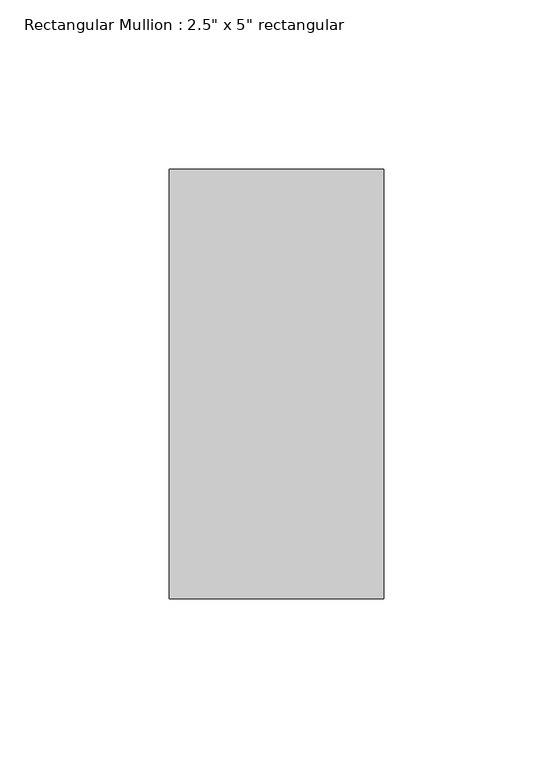
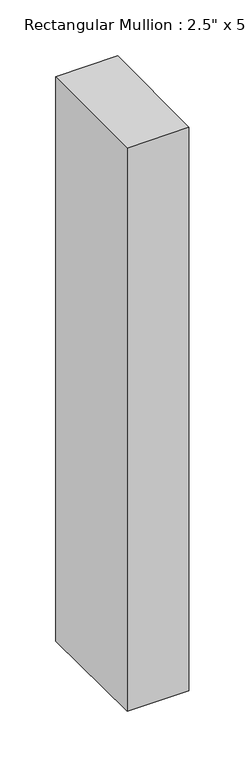
"""IFC4 building model written with IfcOpenShell, lengths in millimetres: member geometry."""

from ifc_helpers import new_model, si_unit, origin, place, context, project, spatial, faceted_brep, source, transform, mapped, element, save


def member_afc8455d(model_context):
    return source(origin(), model_context, "Body", "Brep", [
        faceted_brep([(-63.5, 63.5, -0.1109889), (0.0, 63.5, 0.3868951), (0.0, 63.5, -615.5926457), (-63.5, 63.5, -615.2681772), (-63.5, -63.5, -0.8847791), (-63.5, -63.5, -614.4970786), (0.0, -63.5, -0.3868951), (0.0, -63.5, -614.821547)], [[[0, 1, 2, 3]], [[4, 0, 3, 5]], [[6, 4, 5, 7]], [[1, 6, 7, 2]], [[1, 0, 4, 6]], [[2, 7, 5, 3]]]),
    ])


if __name__ == "__main__":
    model = new_model("IFC4")
    model_context = context("Model", 3, world=origin())
    ifc_project = project(units=[si_unit("LENGTHUNIT", "METRE", prefix="MILLI")], contexts=[model_context])
    site = spatial("IfcSite", under=ifc_project)
    building = spatial("IfcBuilding", under=site)
    placement = place(None, origin())
    member_shape = member_afc8455d(model_context)
    element("IfcMember", 1, ObjectType="Rectangular Mullion : 2.5\" x 5\" rectangular", at=placement, inside=building, context=model_context, shape_type="MappedRepresentation", body=[
        mapped(member_shape, transform((0.0, 0.0, 0.0), x_axis=(1.0, 0.0, 0.0), y_axis=(0.0, 1.0, 0.0), z_axis=(0.0, 0.0, 1.0))),
    ])
    save(model, "model.ifc")
